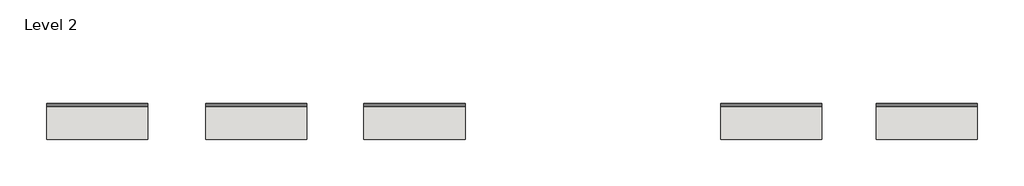
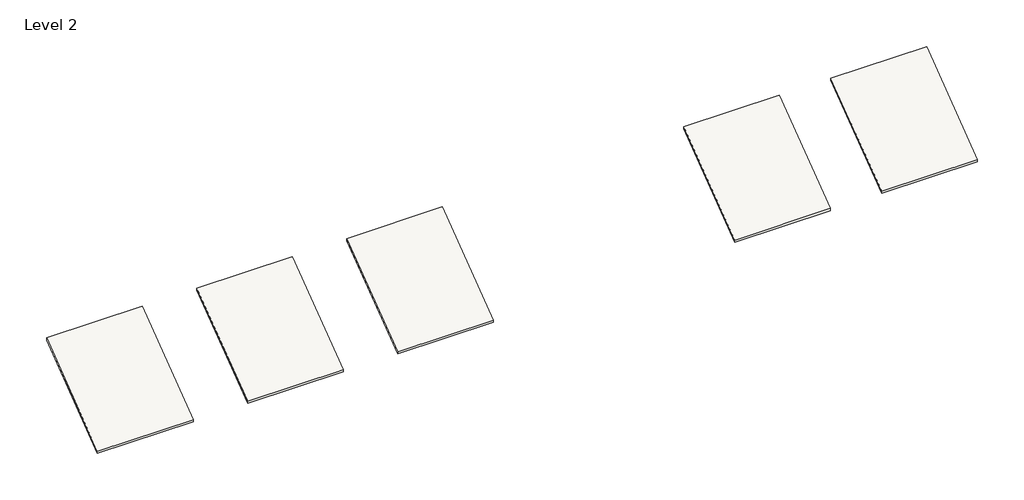
# One storey, part 2 of 3: 5 roofs.
"""IFC4 building model written with IfcOpenShell, lengths in millimetres."""

from ifc_helpers import new_model, si_unit, frame, origin, place, context, project, spatial, polyline, outline, extrude, element, save

model = new_model("IFC4")

# Units and contexts
model_context = context("Model", 3, world=origin())
ifc_project = project(units=[si_unit("LENGTHUNIT", "METRE", prefix="MILLI")], contexts=[model_context])

# Site, building, storey
site = spatial("IfcSite", under=ifc_project)
building = spatial("IfcBuilding", under=site)
storey = spatial("IfcBuildingStorey", under=building, Name="Level 2", Elevation=3048.0)

# Roofs
placement = place(None, origin())
element("IfcRoof", 1, at=placement, inside=storey, context=model_context, shape_type="SweptSolid", body=[
    extrude(outline(polyline([(-511.2110011, 3151.1875), (3603.5889989, 6237.2875), (3603.5889989, 6134.1), (-511.2110011, 3048.0), (-511.2110011, 3151.1875)])), frame((28453.8048416, 0.0, 0.0), z_axis=(1.0, 0.0, 0.0), x_axis=(0.0, 1.0, 0.0)), (0.0, 0.0, 1.0), 4455.1600003),
])
element("IfcRoof", 2, at=placement, inside=storey, context=model_context, shape_type="SweptSolid", body=[
    extrude(outline(polyline([(-511.2110011, 3151.1875), (3603.5889989, 6237.2875), (3603.5889989, 6134.1), (-511.2110011, 3048.0), (-511.2110011, 3151.1875)])), frame((35464.2048416, 0.0, 0.0), z_axis=(1.0, 0.0, 0.0), x_axis=(0.0, 1.0, 0.0)), (0.0, 0.0, 1.0), 4455.1600003),
])
element("IfcRoof", 3, at=placement, inside=storey, context=model_context, shape_type="SweptSolid", body=[
    extrude(outline(polyline([(-511.2110011, 3151.1875), (3603.5889989, 6237.2875), (3603.5889989, 6134.1), (-511.2110011, 3048.0), (-511.2110011, 3151.1875)])), frame((42449.2048416, 0.0, 0.0), z_axis=(1.0, 0.0, 0.0), x_axis=(0.0, 1.0, 0.0)), (0.0, 0.0, 1.0), 4455.1600003),
])
element("IfcRoof", 4, at=placement, inside=storey, context=model_context, shape_type="SweptSolid", body=[
    extrude(outline(polyline([(-510.6156886, 3151.1875), (3604.1843114, 6237.2875), (3604.1843114, 6134.1), (-510.6156886, 3048.0), (-510.6156886, 3151.1875)])), frame((58181.9648419, 0.0, 0.0), z_axis=(1.0, 0.0, 0.0), x_axis=(0.0, 1.0, 0.0)), (0.0, 0.0, 1.0), 4455.1600003),
])
element("IfcRoof", 5, at=placement, inside=storey, context=model_context, shape_type="SweptSolid", body=[
    extrude(outline(polyline([(-510.6156886, 3151.1875), (3604.1843114, 6237.2875), (3604.1843114, 6134.1), (-510.6156886, 3048.0), (-510.6156886, 3151.1875)])), frame((65039.9648419, 0.0, 0.0), z_axis=(1.0, 0.0, 0.0), x_axis=(0.0, 1.0, 0.0)), (0.0, 0.0, 1.0), 4455.1600003),
])

save(model, "model.ifc")
